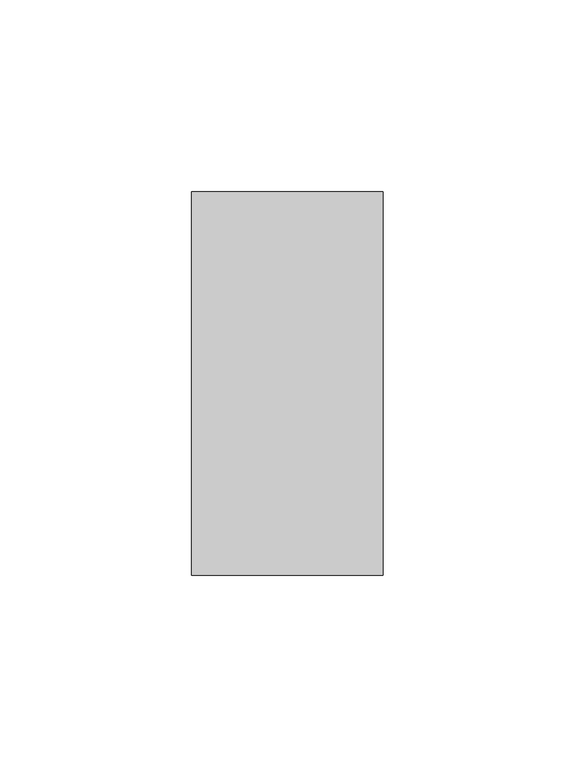
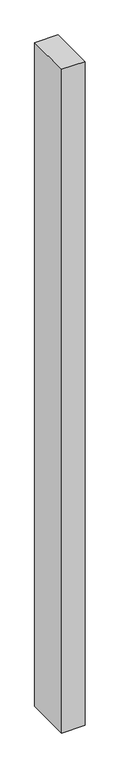
"""IFC4 building model written with IfcOpenShell, lengths in millimetres: plate geometry."""

from ifc_helpers import new_model, si_unit, origin, origin_with_axes, place, context, project, spatial, polyline, outline, extrude, source, transform, mapped, element, save


def plate_aac0bd96(model_context):
    return source(origin(), model_context, "Body", "SweptSolid", [
        extrude(outline(polyline([(71.5429009, 100.0), (71.5429009, 0.0), (21.5429009, 0.0), (21.5429009, 100.0), (71.5429009, 100.0)])), origin_with_axes(), (0.0, 0.0, 1.0), 1500.0),
    ])


if __name__ == "__main__":
    model = new_model("IFC4")
    model_context = context("Model", 3, world=origin())
    ifc_project = project(units=[si_unit("LENGTHUNIT", "METRE", prefix="MILLI")], contexts=[model_context])
    site = spatial("IfcSite", under=ifc_project)
    building = spatial("IfcBuilding", under=site)
    placement = place(None, origin())
    plate_shape = plate_aac0bd96(model_context)
    element("IfcPlate", 1, at=placement, inside=building, context=model_context, shape_type="MappedRepresentation", body=[
        mapped(plate_shape, transform((0.0, 0.0, 0.0), x_axis=(1.0, 0.0, 0.0), y_axis=(0.0, 1.0, 0.0), z_axis=(0.0, 0.0, 1.0))),
    ])
    save(model, "model.ifc")
